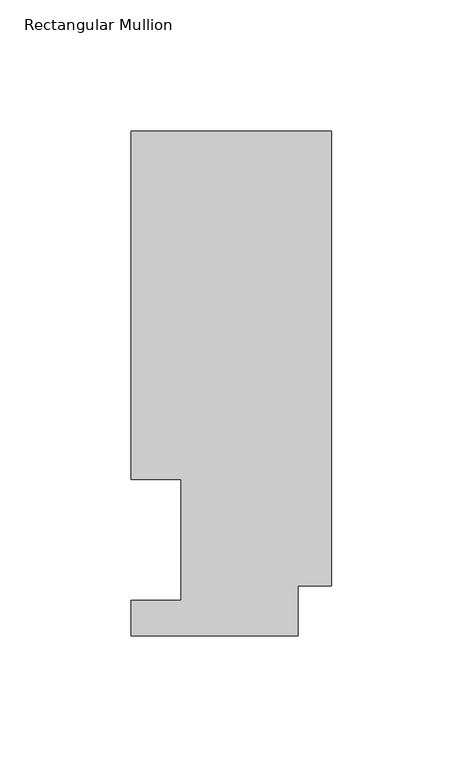
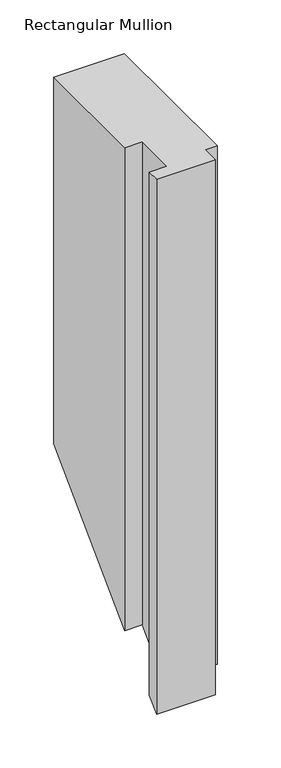
"""IFC4 building model written with IfcOpenShell, lengths in millimetres: member geometry, Rectangular Mullion."""

from ifc_helpers import new_model, si_unit, origin, place, context, project, spatial, faceted_brep, source, transform, mapped, element, save


def rectangular_mullion_e73e8014(model_context):
    return source(origin(), model_context, "Body", "Brep", [
        faceted_brep([(0.0, 192.09385, 0.0), (-76.2, 192.09385, 0.0), (-76.2, 59.53125, 0.0), (-57.1627, 59.53125, 0.0), (-57.1627, 13.50645, 0.0), (-76.2, 13.50645, 0.0), (-76.2, 0.04445, 0.0), (-12.7, 0.04445, 0.0), (-12.7, 19.06905, 0.0), (0.0, 19.06905, 0.0), (0.0, 192.09385, -417.50615), (-76.2, 192.09385, -417.50615), (-76.2, 59.53125, -550.06875), (-57.1627, 59.53125, -550.06875), (-57.1627, 13.50645, -596.09355), (-76.2, 13.50645, -596.09355), (-76.2, 0.04445, -609.55555), (-12.7, 0.04445, -609.55555), (-12.7, 19.06905, -590.53095), (0.0, 19.06905, -590.53095)], [[[0, 1, 2, 3, 4, 5, 6, 7, 8, 9]], [[1, 0, 10, 11]], [[2, 1, 11, 12]], [[3, 2, 12, 13]], [[4, 3, 13, 14]], [[5, 4, 14, 15]], [[6, 5, 15, 16]], [[7, 6, 16, 17]], [[8, 7, 17, 18]], [[9, 8, 18, 19]], [[0, 9, 19, 10]], [[10, 19, 18, 17, 16, 15, 14, 13, 12, 11]]]),
    ])


if __name__ == "__main__":
    model = new_model("IFC4")
    model_context = context("Model", 3, world=origin())
    ifc_project = project(units=[si_unit("LENGTHUNIT", "METRE", prefix="MILLI")], contexts=[model_context])
    site = spatial("IfcSite", under=ifc_project)
    building = spatial("IfcBuilding", under=site)
    placement = place(None, origin())
    rectangular_mullion_shape = rectangular_mullion_e73e8014(model_context)
    element("IfcMember", 1, ObjectType="Rectangular Mullion", at=placement, inside=building, context=model_context, shape_type="MappedRepresentation", body=[
        mapped(rectangular_mullion_shape, transform((0.0, 0.0, 0.0), x_axis=(1.0, 0.0, 0.0), y_axis=(0.0, 1.0, 0.0), z_axis=(0.0, 0.0, 1.0))),
    ])
    save(model, "model.ifc")
